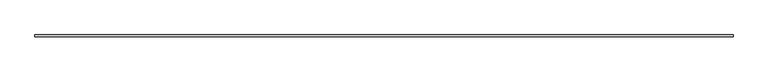
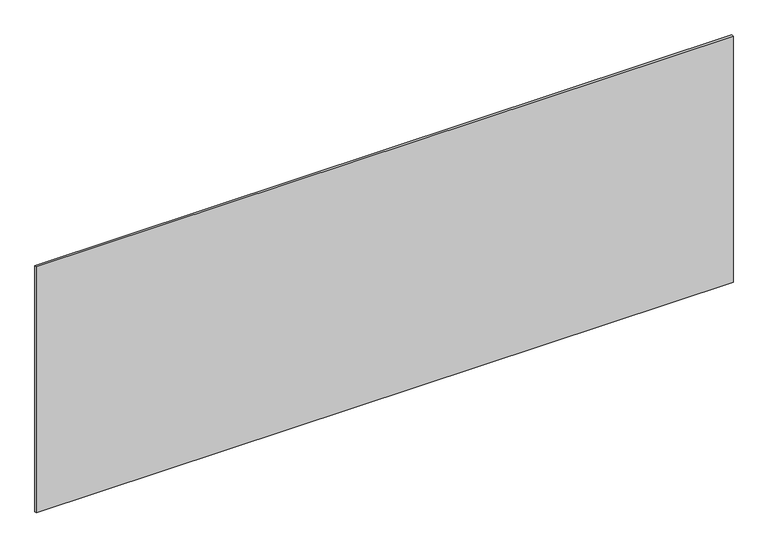
"""IFC4 building model written with IfcOpenShell, lengths in millimetres: plate geometry."""

from ifc_helpers import new_model, si_unit, origin, origin_with_axes, place, context, project, spatial, polyline, outline, extrude, source, transform, mapped, element, save


def plate_985da505(model_context):
    return source(origin(), model_context, "Body", "SweptSolid", [
        extrude(outline(polyline([(1715.0, -5.0), (-1715.0, -5.0), (-1715.0, 5.0), (1715.0, 5.0), (1715.0, -5.0)])), origin_with_axes(), (0.0, 0.0, 1.0), 1280.202493),
    ])


if __name__ == "__main__":
    model = new_model("IFC4")
    model_context = context("Model", 3, world=origin())
    ifc_project = project(units=[si_unit("LENGTHUNIT", "METRE", prefix="MILLI")], contexts=[model_context])
    site = spatial("IfcSite", under=ifc_project)
    building = spatial("IfcBuilding", under=site)
    placement = place(None, origin())
    plate_shape = plate_985da505(model_context)
    element("IfcPlate", 1, at=placement, inside=building, context=model_context, shape_type="MappedRepresentation", body=[
        mapped(plate_shape, transform((0.0, 0.0, 0.0), x_axis=(1.0, 0.0, 0.0), y_axis=(0.0, 1.0, 0.0), z_axis=(0.0, 0.0, 1.0))),
    ])
    save(model, "model.ifc")
